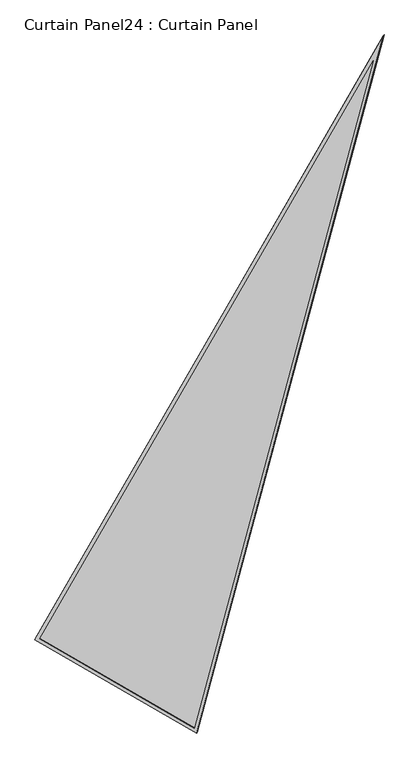
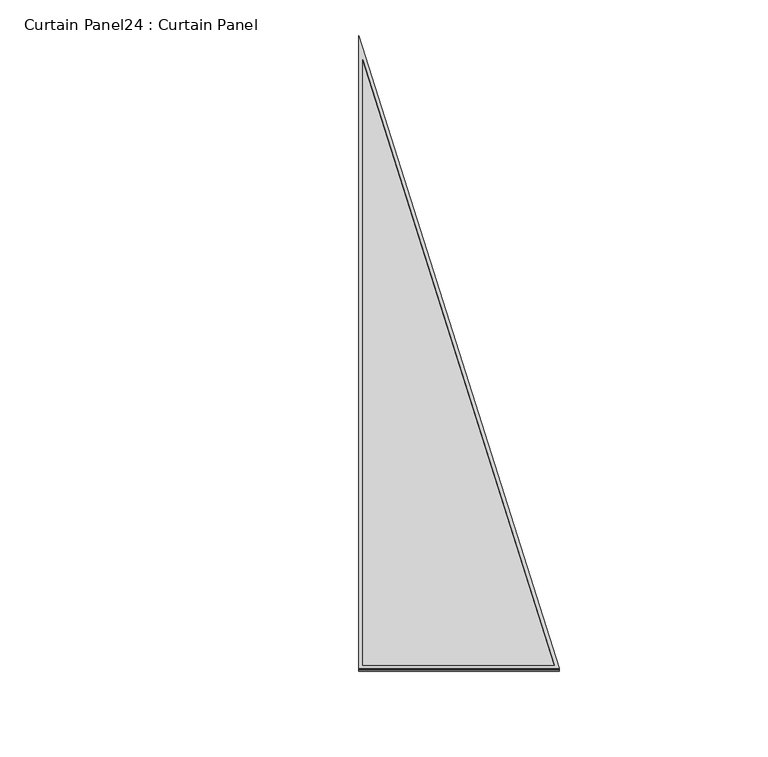
"""IFC4 building model written with IfcOpenShell, lengths in millimetres: plate geometry, Curtain Panel24 : Curtain Panel."""

from ifc_helpers import new_model, si_unit, frame, origin, place, context, project, spatial, polyline, outline, extrude, source, transform, mapped, element, save


def curtain_panel24_curtain_panel_e1316308(model_context):
    return source(origin(), model_context, "Body", "SweptSolid", [
        extrude(outline(polyline([(895.9373553, 0.0), (895.9373554, -3524.4506618), (0.0, 0.0), (895.9373553, 0.0)]), holes=[polyline([(879.2745575, -16.662798), (21.4285394, -16.6627979), (879.2745575, -3391.2692347), (879.2745575, -16.662798)])]), frame((10490.8280504, -5311.5906571, 898.7112254), z_axis=(-0.15807291198690523, -0.2737903148616782, 0.948710608132914), x_axis=(-0.8660254037844352, 0.5000000000000061, 0.0)), (0.0, 0.0, 1.0), 4.8200871),
        extrude(outline(polyline([(895.9373554, 0.0), (895.9373554, -3524.4506618), (0.0, 0.0), (895.9373554, 0.0)]), holes=[polyline([(885.6245575, -10.3127979), (13.2623703, -10.3127979), (885.6245575, -3442.0231397), (885.6245575, -10.3127979)])]), frame((10493.6162461, -5306.7613605, 881.9772337), z_axis=(-0.15807291198690468, -0.2737903148616784, 0.948710608132914), x_axis=(-0.8660254037844356, 0.5000000000000054, 0.0)), (0.0, 0.0, 1.0), 4.8324589),
        extrude(outline(polyline([(20.1836541, 0.0), (916.1210094, 0.0), (916.1210095, -3524.4506618), (20.1836541, 0.0)])), frame((10510.3319224, -5318.176268, 886.5618387), z_axis=(-0.1580729119869049, -0.27379031486167804, 0.948710608132914), x_axis=(-0.8660254037844352, 0.500000000000006, 0.0)), (0.0, 0.0, 1.0), 12.8062094),
    ])


if __name__ == "__main__":
    model = new_model("IFC4")
    model_context = context("Model", 3, world=origin())
    ifc_project = project(units=[si_unit("LENGTHUNIT", "METRE", prefix="MILLI")], contexts=[model_context])
    site = spatial("IfcSite", under=ifc_project)
    building = spatial("IfcBuilding", under=site)
    placement = place(None, origin())
    curtain_panel24_curtain_panel_shape = curtain_panel24_curtain_panel_e1316308(model_context)
    element("IfcPlate", 1, ObjectType="Curtain Panel24 : Curtain Panel", at=placement, inside=building, context=model_context, shape_type="MappedRepresentation", body=[
        mapped(curtain_panel24_curtain_panel_shape, transform((0.0, 0.0, 0.0), x_axis=(1.0, 0.0, 0.0), y_axis=(0.0, 1.0, 0.0), z_axis=(0.0, 0.0, 1.0))),
    ])
    save(model, "model.ifc")
